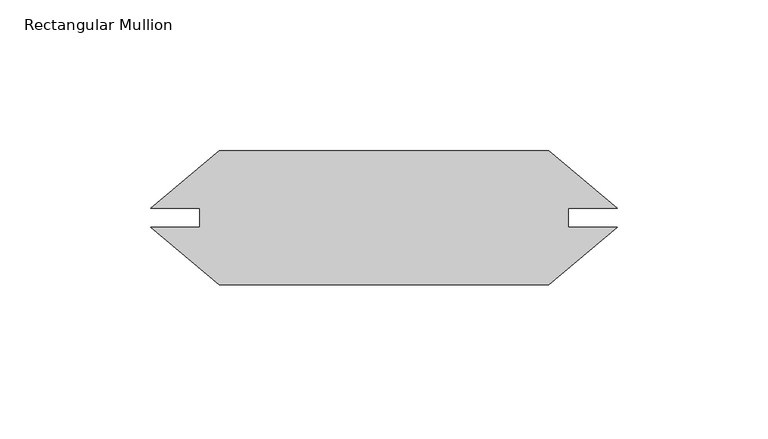
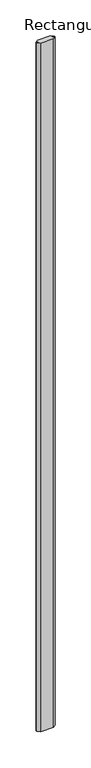
"""IFC4 building model written with IfcOpenShell, lengths in millimetres: member geometry, Rectangular Mullion."""

from ifc_helpers import new_model, si_unit, frame, origin, place, context, project, spatial, polyline, outline, extrude, source, transform, mapped, element, save


def rectangular_mullion_90fa933a(model_context):
    return source(origin(), model_context, "Body", "SweptSolid", [
        extrude(outline(polyline([(50.5699707, 9.42449), (-58.8133118, 9.42449), (-81.5316444, 28.4874345), (-65.240342, 28.4874345), (-65.240342, 34.8115455), (-81.5316444, 34.8115455), (-58.8133118, 53.87449), (50.5699707, 53.87449), (73.2883033, 34.8115455), (57.009701, 34.8115455), (57.009701, 28.4874345), (73.2883033, 28.4874345), (50.5699707, 9.42449)])), frame((0.0, 0.0, -6096.0), z_axis=(0.0, 0.0, 1.0), x_axis=(1.0, 0.0, 0.0)), (0.0, 0.0, 1.0), 6096.0),
    ])


if __name__ == "__main__":
    model = new_model("IFC4")
    model_context = context("Model", 3, world=origin())
    ifc_project = project(units=[si_unit("LENGTHUNIT", "METRE", prefix="MILLI")], contexts=[model_context])
    site = spatial("IfcSite", under=ifc_project)
    building = spatial("IfcBuilding", under=site)
    placement = place(None, origin())
    rectangular_mullion_shape = rectangular_mullion_90fa933a(model_context)
    element("IfcMember", 1, ObjectType="Rectangular Mullion", at=placement, inside=building, context=model_context, shape_type="MappedRepresentation", body=[
        mapped(rectangular_mullion_shape, transform((0.0, 0.0, 0.0), x_axis=(1.0, 0.0, 0.0), y_axis=(0.0, 1.0, 0.0), z_axis=(0.0, 0.0, 1.0))),
    ])
    save(model, "model.ifc")
